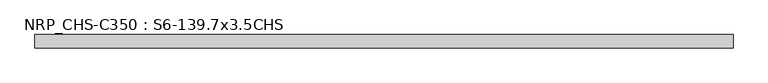
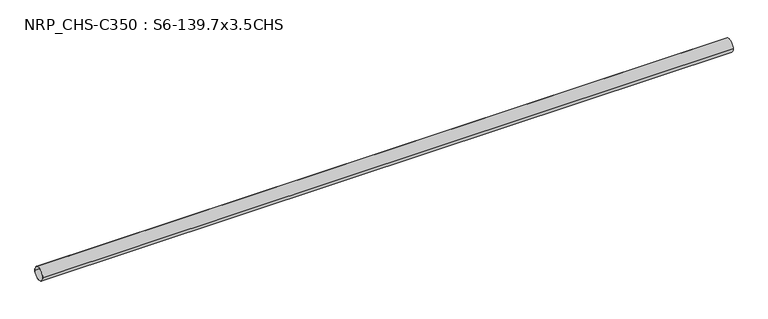
"""IFC4 building model written with IfcOpenShell, lengths in millimetres: beam geometry, NRP_CHS-C350 : S6-139.7x3.5CHS."""

from ifc_helpers import new_model, si_unit, point, frame, origin, origin_2d, place, context, project, spatial, circle_curve, trimmed, segment, composite_curve, outline, extrude, source, transform, mapped, element, save


def nrp_chs_c350_s6_139_7x3_5chs_c7189700(model_context):
    return source(origin(), model_context, "Body", "SweptSolid", [
        extrude(outline(composite_curve([segment(trimmed(circle_curve(origin_2d(), 69.85), [point((69.85, 0.0))], [point((-69.85, 0.0))], False, "CARTESIAN"), True, "CONTINUOUS"), segment(trimmed(circle_curve(origin_2d(), 69.85), [point((-69.85, 0.0))], [point((69.85, 0.0))], False, "CARTESIAN"), True, "CONTINUOUS")], self_intersect=False), holes=[composite_curve([segment(trimmed(circle_curve(origin_2d(), 66.35), [point((-66.35, 0.0))], [point((66.35, 0.0))], True, "CARTESIAN"), True, "CONTINUOUS"), segment(trimmed(circle_curve(origin_2d(), 66.35), [point((66.35, 0.0))], [point((-66.35, 0.0))], True, "CARTESIAN"), True, "CONTINUOUS")], self_intersect=False)]), frame((-3594.55, 0.0, 0.0), z_axis=(1.0, 0.0, 0.0), x_axis=(0.0, 1.0, 0.0)), (0.0, 0.0, 1.0), 7198.6),
    ])


if __name__ == "__main__":
    model = new_model("IFC4")
    model_context = context("Model", 3, world=origin())
    ifc_project = project(units=[si_unit("LENGTHUNIT", "METRE", prefix="MILLI")], contexts=[model_context])
    site = spatial("IfcSite", under=ifc_project)
    building = spatial("IfcBuilding", under=site)
    placement = place(None, origin())
    nrp_chs_c350_s6_139_7x3_5chs_shape = nrp_chs_c350_s6_139_7x3_5chs_c7189700(model_context)
    element("IfcBeam", 1, ObjectType="NRP_CHS-C350 : S6-139.7x3.5CHS", at=placement, inside=building, context=model_context, shape_type="MappedRepresentation", body=[
        mapped(nrp_chs_c350_s6_139_7x3_5chs_shape, transform((0.0, 0.0, 0.0), x_axis=(1.0, 0.0, 0.0), y_axis=(0.0, 1.0, 0.0), z_axis=(0.0, 0.0, 1.0))),
    ])
    save(model, "model.ifc")
